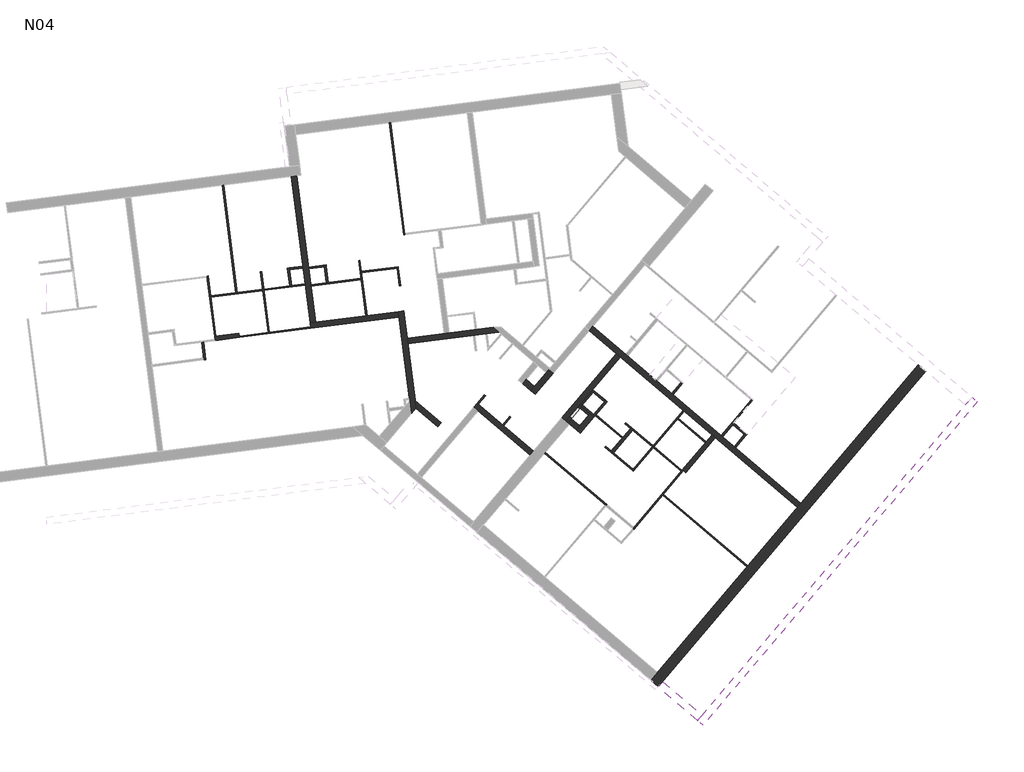
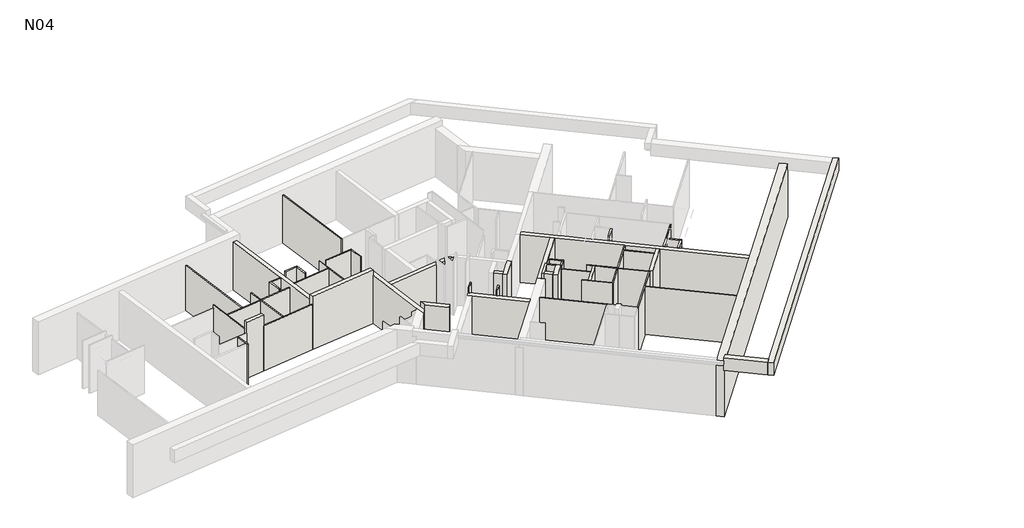
# One storey, part 2 of 3: 56 walls.
"""IFC4 building model written with IfcOpenShell, lengths in millimetres."""

import ifcopenshell
import ifcopenshell.guid

model = None  # the IFC model being written
_history = None  # IfcOwnerHistory: only IFC2X3 demands one
_inside = {}  # id of a spatial element -> (the spatial element, [elements in it])
_under = {}  # id of a project, library or spatial element -> (it, [spatial elements below it])
_declared = {}  # id of a project -> (the project, [libraries it declares])
_typed = {}  # id of a type object -> (the type object, [elements of that type])
_made_of = {}  # id of a material, layer set ... -> (it, [elements and type objects made of it])


def new_model(schema):
    """Start an empty IFC model of exactly this schema.

    Asked for "IFC4X3", IfcOpenShell would pick the latest addendum, in which some entities
    have other attributes; the version numbers below select the first issue.
    IFC2X3 requires an IfcOwnerHistory on every rooted entity: one is made here for all.
    """
    global model, _history
    if schema == "IFC4X3":
        model = ifcopenshell.file(schema_version=(4, 3, 0, 0))
    else:
        model = ifcopenshell.file(schema=schema)
    _inside.clear()
    _under.clear()
    _declared.clear()
    _typed.clear()
    _made_of.clear()
    _history = None
    if model.schema == "IFC2X3":
        org = make("IfcOrganization", Name="unknown")
        user = make(
            "IfcPersonAndOrganization",
            ThePerson=make("IfcPerson", FamilyName="unknown"),
            TheOrganization=org,
        )
        app = make(
            "IfcApplication",
            ApplicationDeveloper=org,
            Version="unknown",
            ApplicationFullName="unknown",
            ApplicationIdentifier="unknown",
        )
        _history = make(
            "IfcOwnerHistory",
            OwningUser=user,
            OwningApplication=app,
            ChangeAction="ADDED",
            CreationDate=0,
        )
    return model


def make(cls, **values):
    """One entity of the class cls with the attributes given. An attribute that is None is left unset."""
    return model.create_entity(
        cls, **{name: value for name, value in values.items() if value is not None}
    )


def rooted(cls, **values):
    """An entity with a GlobalId (a new one), such as an element, a storey or a relation."""
    return make(cls, GlobalId=ifcopenshell.guid.new(), OwnerHistory=_history, **values)


def si_unit(unit_type, name, prefix=None):
    """IfcSIUnit, for example si_unit("LENGTHUNIT", "METRE", prefix="MILLI")."""
    return make("IfcSIUnit", UnitType=unit_type, Prefix=prefix, Name=name)


def assignment(units):
    """IfcUnitAssignment: the units of a project."""
    return None if units is None else make("IfcUnitAssignment", Units=units)


def point(xyz):
    """IfcCartesianPoint."""
    return None if xyz is None else make("IfcCartesianPoint", Coordinates=xyz)


def direction(xyz):
    """IfcDirection."""
    return None if xyz is None else make("IfcDirection", DirectionRatios=xyz)


def frame(location, z_axis=None, x_axis=None):
    """IfcAxis2Placement3D, a coordinate frame: its origin and axes. An axis left out is left unset."""
    return make(
        "IfcAxis2Placement3D",
        Location=point(location),
        Axis=direction(z_axis),
        RefDirection=direction(x_axis),
    )


def origin():
    """The frame at (0, 0, 0) with its axes left unset."""
    return frame((0.0, 0.0, 0.0))


def place(relative_to, where):
    """IfcLocalPlacement: puts the frame where relative to a parent placement (None: the world)."""
    return make(
        "IfcLocalPlacement", PlacementRelTo=relative_to, RelativePlacement=where
    )


def context(
    kind, dimensions, precision=None, world=None, true_north=None, identifier=None
):
    """IfcGeometricRepresentationContext, for example the 3D "Model" context."""
    return make(
        "IfcGeometricRepresentationContext",
        ContextIdentifier=identifier,
        ContextType=kind,
        CoordinateSpaceDimension=dimensions,
        Precision=precision,
        WorldCoordinateSystem=world,
        TrueNorth=true_north,
    )


def project(units=None, contexts=None):
    """IfcProject with its units and contexts."""
    return rooted(
        "IfcProject",
        Name="project",
        RepresentationContexts=contexts,
        UnitsInContext=assignment(units),
    )


def spatial(cls, under=None, at=None, **own):
    """A site, building, storey or space (cls), placed at a placement, below another one or the project."""
    s = rooted(cls, ObjectPlacement=at, **own)
    if under is not None:
        _under.setdefault(under.id(), (under, []))[1].append(s)
    return s


def polyline(points):
    """IfcPolyline through the points."""
    return make("IfcPolyline", Points=[point(p) for p in points])


def outline(outer, holes=None, kind="AREA"):
    """IfcArbitraryClosedProfileDef: a profile drawn as a closed curve; with holes, ...WithVoids."""
    if holes is None:
        return make("IfcArbitraryClosedProfileDef", ProfileType=kind, OuterCurve=outer)
    return make(
        "IfcArbitraryProfileDefWithVoids",
        ProfileType=kind,
        OuterCurve=outer,
        InnerCurves=holes,
    )


def extrude(swept, where, along, depth):
    """IfcExtrudedAreaSolid: the profile swept, set in the frame where, extruded along a direction by depth."""
    return make(
        "IfcExtrudedAreaSolid",
        SweptArea=swept,
        Position=where,
        ExtrudedDirection=direction(along),
        Depth=depth,
    )


def faces_of(points, faces, orient=None, outer=None):
    """IfcFace entities. A face is a list of loops; a loop is a list of indices into points, from 0.

    orient and outer hold one flag for each loop. By default every Orientation is true, the
    first loop of a face is its IfcFaceOuterBound and the others are IfcFaceBound.
    """
    made = []
    for i, loops in enumerate(faces):
        bounds = []
        for j, loop in enumerate(loops):
            is_outer = j == 0 if outer is None else outer[i][j]
            bounds.append(
                make(
                    "IfcFaceOuterBound" if is_outer else "IfcFaceBound",
                    Bound=make("IfcPolyLoop", Polygon=[points[k] for k in loop]),
                    Orientation=True if orient is None else orient[i][j],
                )
            )
        made.append(make("IfcFace", Bounds=bounds))
    return made


def faceted_brep(points, faces, orient=None, outer=None, voids=None):
    """IfcFacetedBrep: a solid bounded by flat faces; with voids (closed shells), ...WithVoids."""
    shared = [point(p) for p in points]
    hull = make("IfcClosedShell", CfsFaces=faces_of(shared, faces, orient, outer))
    if voids is None:
        return make("IfcFacetedBrep", Outer=hull)
    return make(
        "IfcFacetedBrepWithVoids",
        Outer=hull,
        Voids=[
            make(cls, CfsFaces=faces_of(shared, fs, o, b)) for cls, fs, o, b in voids
        ],
    )


def shape(context_of_items, identifier, shape_type, items):
    """IfcShapeRepresentation: the items that make up one representation, for example the "Body"."""
    return make(
        "IfcShapeRepresentation",
        ContextOfItems=context_of_items,
        RepresentationIdentifier=identifier,
        RepresentationType=shape_type,
        Items=items,
    )


def made_of(thing, what):
    """Note that an element or type object is made of a material, layer set ...; save() writes the relation."""
    if what is not None:
        _made_of.setdefault(what.id(), (what, []))[1].append(thing)
    return thing


def element(
    cls,
    number,
    at=None,
    inside=None,
    cuts=None,
    type_object=None,
    material=None,
    context=None,
    identifier="Body",
    shape_type=None,
    held_by="IfcProductDefinitionShape",
    body=None,
    shapes=None,
    **own,
):
    """One element of the class cls, such as IfcWall. Its Tag is "e" and its number.

    at: its placement. inside: the storey or other place that contains it. cuts: it is an
    opening in that element (IfcRelVoidsElement). A single representation is given by context,
    identifier, shape_type and body (its items); several are given by shapes. held_by: the class
    of the entity that holds the representations. save() writes the other relations.
    """
    e = rooted(cls, Tag="e%d" % number, ObjectPlacement=at, **own)
    if body is not None:
        shapes = [shape(context, identifier, shape_type, body)]
    if shapes is not None:
        e.Representation = make(held_by, Representations=shapes)
    if inside is not None:
        _inside.setdefault(inside.id(), (inside, []))[1].append(e)
    if cuts is not None:
        rooted(
            "IfcRelVoidsElement", RelatingBuildingElement=cuts, RelatedOpeningElement=e
        )
    if type_object is not None:
        _typed.setdefault(type_object.id(), (type_object, []))[1].append(e)
    return made_of(e, material)


def aggregate(whole, parts):
    """IfcRelAggregates: a whole, such as a stair, and the parts it consists of."""
    return rooted("IfcRelAggregates", RelatingObject=whole, RelatedObjects=parts)


def save(model, path):
    """Write the relations noted so far, then the file.

    IfcRelAggregates (storeys below a building ...), IfcRelContainedInSpatialStructure (elements
    in a storey), IfcRelDefinesByType, IfcRelAssociatesMaterial and IfcRelDeclares: one each for
    every whole, place, type object, material and project.
    """
    for whole, parts in _under.values():
        aggregate(whole, parts)
    for where, things in _inside.values():
        rooted(
            "IfcRelContainedInSpatialStructure",
            RelatedElements=things,
            RelatingStructure=where,
        )
    for kind, things in _typed.values():
        rooted("IfcRelDefinesByType", RelatedObjects=things, RelatingType=kind)
    for what, things in _made_of.values():
        rooted("IfcRelAssociatesMaterial", RelatedObjects=things, RelatingMaterial=what)
    for by, libraries in _declared.values():
        rooted("IfcRelDeclares", RelatingContext=by, RelatedDefinitions=libraries)
    model.write(path)


model = new_model("IFC4")

# Units and contexts
model_context = context("Model", 3, world=origin())
ifc_project = project(units=[si_unit("LENGTHUNIT", "METRE", prefix="MILLI")], contexts=[model_context])

# Site, building, storey
site = spatial("IfcSite", under=ifc_project)
building = spatial("IfcBuilding", under=site)
storey = spatial("IfcBuildingStorey", under=building, Name="N04", Elevation=11380.0)

# Walls
placement = place(None, origin())
element("IfcWall", 1, at=placement, inside=storey, context=model_context, shape_type="Brep", body=[
    faceted_brep([(26473.9537405, 16458.0006931, 11380.0), (22178.6528652, 11396.9288026, 11380.0), (22049.2388417, 11244.4427031, 11380.0), (20230.9718119, 9102.0130058, 11380.0), (20198.618306, 9063.8914809, 11380.0), (16923.1988078, 5204.5265532, 11380.0), (16683.7828644, 4922.4272692, 11380.0), (16683.7828644, 4922.4272692, 14150.0), (16923.1988078, 5204.5265532, 14150.0), (26473.9537405, 16458.0006931, 14150.0), (26756.0530245, 16218.5847496, 11380.0), (26756.0530245, 16218.5847496, 13820.0), (26756.0530245, 16218.5847496, 14150.0), (17205.2980918, 4965.1106098, 14150.0), (16965.8821484, 4683.0113258, 14150.0), (16965.8821484, 4683.0113258, 11380.0)], [[[0, 1, 2, 3, 4, 5, 6, 7, 8, 9]], [[10, 11, 12, 13, 14, 15]], [[6, 5, 4, 3, 2, 1, 0, 10, 15]], [[9, 8, 7, 14, 13, 12]], [[0, 9, 12, 11, 10]], [[7, 6, 15, 14]]]),
])
element("IfcWall", 2, at=placement, inside=storey, context=model_context, shape_type="Brep", body=[
    faceted_brep([(7448.5900764, 18403.1253969, 11380.0), (7473.9455369, 18204.7391559, 11380.0), (7865.2890942, 15142.7881766, 11380.0), (7925.3724793, 14672.6836444, 11380.0), (7925.3724793, 14672.6836444, 13880.0), (7865.2890942, 15142.7881766, 13880.0), (7448.5900764, 18403.1253969, 13880.0), (7646.9763174, 18428.4808575, 11380.0), (7646.9763174, 18428.4808575, 13880.0), (7775.7214118, 17421.1532528, 13880.0), (7801.0768724, 17222.7670118, 13880.0), (8100.609629, 14879.1622679, 13880.0), (8100.609629, 14879.1622679, 11380.0), (8066.276266, 15147.7934292, 11380.0), (7801.0768724, 17222.7670118, 11380.0), (7775.7214118, 17421.1532528, 11380.0), (8089.348342, 14865.8933062, 11380.0)], [[[0, 1, 2, 3, 4, 5, 6]], [[7, 8, 9, 10, 11, 12, 13, 14, 15]], [[3, 2, 1, 0, 7, 15, 14, 13, 12, 16]], [[6, 5, 4, 11, 10, 9, 8]], [[4, 3, 16, 12, 11]], [[0, 6, 8, 7]]]),
])
element("IfcWall", 3, at=placement, inside=storey, context=model_context, shape_type="Brep", body=[
    faceted_brep([(10925.0598005, 17823.6656693, 11380.0), (9323.1340917, 17618.9258451, 11380.0), (9124.7478507, 17593.5703845, 11380.0), (7775.7214118, 17421.1532528, 11380.0), (7775.7214118, 17421.1532528, 13880.0), (9124.7478507, 17593.5703845, 13880.0), (9323.1340917, 17618.9258451, 13880.0), (10925.0598005, 17823.6656693, 13880.0), (7801.0768724, 17222.7670118, 11380.0), (10201.5503886, 17529.5680845, 11380.0), (10251.1469488, 17535.9069496, 11380.0), (10647.9194308, 17586.6178707, 11380.0), (10697.5159911, 17592.9567358, 11380.0), (11131.5384241, 17648.4285197, 11380.0), (11131.5384241, 17648.4285197, 13880.0), (7801.0768724, 17222.7670118, 13880.0)], [[[0, 1, 2, 3, 4, 5, 6, 7]], [[8, 9, 10, 11, 12, 13, 14, 15]], [[3, 2, 1, 0, 13, 12, 11, 10, 9, 8]], [[7, 6, 5, 4, 15, 14]], [[4, 3, 8, 15]], [[0, 7, 14, 13]]]),
])
element("IfcWall", 4, at=placement, inside=storey, context=model_context, shape_type="SweptSolid", body=[
    extrude(outline(polyline([(15578.6427768, 16735.9981567), (13586.371073, 14388.5420388), (13433.8849736, 14517.9560622), (15426.1566773, 16865.4121802), (15578.6427768, 16735.9981567)])), frame((0.0, 0.0, 11380.0), z_axis=(0.0, 0.0, 1.0), x_axis=(1.0, 0.0, 0.0)), (0.0, 0.0, 1.0), 2500.0),
])
element("IfcWall", 5, at=placement, inside=storey, context=model_context, shape_type="Brep", body=[
    faceted_brep([(12403.0945249, 13303.3951464, 11380.0), (11305.1946088, 14235.1761155, 11380.0), (11267.073084, 14267.5296214, 11380.0), (10382.6537071, 15018.1309575, 11380.0), (10344.5321823, 15050.4844634, 11380.0), (10344.5321823, 15050.4844634, 13880.0), (12403.0945249, 13303.3951464, 13880.0), (12273.6805014, 13150.909047, 11380.0), (12273.6805014, 13150.909047, 13880.0), (10367.6042582, 14768.5843405, 13880.0), (10215.1181588, 14897.9983639, 13880.0), (10215.1181588, 14897.9983639, 11380.0), (10367.6042582, 14768.5843405, 11380.0)], [[[0, 1, 2, 3, 4, 5, 6]], [[7, 8, 9, 10, 11, 12]], [[4, 3, 2, 1, 0, 7, 12, 11]], [[6, 5, 10, 9, 8]], [[5, 4, 11, 10]], [[0, 6, 8, 7]]]),
])
element("IfcWall", 6, at=placement, inside=storey, context=model_context, shape_type="Brep", body=[
    faceted_brep([(8089.348342, 14865.8933062, 11380.0), (8895.2693037, 14181.9130967, 11380.0), (8895.2693037, 14181.9130967, 14150.0), (8089.348342, 14865.8933062, 14150.0), (8066.276266, 15147.7934292, 11380.0), (8066.276266, 15147.7934292, 14150.0), (9024.6833271, 14334.3991962, 14150.0), (9024.6833271, 14334.3991962, 11380.0), (8100.609629, 14879.1622679, 11380.0), (8100.609629, 14879.1622679, 14150.0), (8100.609629, 14879.1622679, 13880.0)], [[[0, 1, 2, 3]], [[4, 5, 6, 7]], [[1, 0, 8, 4, 7]], [[2, 1, 7, 6]], [[3, 2, 6, 5, 9]], [[0, 3, 9, 10, 8]], [[9, 5, 4, 8, 10]]]),
])
element("IfcWall", 7, at=placement, inside=storey, context=model_context, shape_type="Brep", body=[
    faceted_brep([(28444.0869127, 15271.2508106, 13820.0), (28204.6709693, 14989.1515266, 13820.0), (18569.7969214, 3636.5614221, 13820.0), (18401.5586909, 3438.3294928, 13820.0), (18401.5586909, 3438.3294928, 14460.0), (18569.7969214, 3636.5614221, 14460.0), (28204.6709693, 14989.1515266, 14460.0), (28444.0869127, 15271.2508106, 14460.0), (28642.318842, 15103.0125801, 13820.0), (28642.318842, 15103.0125801, 14460.0), (18599.7906202, 3270.0912623, 14460.0), (18599.7906202, 3270.0912623, 13820.0)], [[[0, 1, 2, 3, 4, 5, 6, 7]], [[8, 9, 10, 11]], [[3, 2, 1, 0, 8, 11]], [[7, 6, 5, 4, 10, 9]], [[4, 3, 11, 10]], [[0, 7, 9, 8]]]),
])
element("IfcWall", 8, at=placement, inside=storey, context=model_context, shape_type="SweptSolid", body=[
    extrude(outline(polyline([(17121.1789766, 4865.9946451), (18569.7969214, 3636.5614221), (18401.5586909, 3438.3294928), (16952.940746, 4667.7627158), (17121.1789766, 4865.9946451)])), frame((0.0, 0.0, 13820.0), z_axis=(0.0, 0.0, 1.0), x_axis=(1.0, 0.0, 0.0)), (0.0, 0.0, 1.0), 640.0),
])
element("IfcWall", 9, at=placement, inside=storey, context=model_context, shape_type="SweptSolid", body=[
    extrude(outline(polyline([(14152.0802044, 14931.4722172), (14457.0524033, 14672.6441703), (14405.2867939, 14611.6497305), (14100.314595, 14870.4777775), (14152.0802044, 14931.4722172)])), frame((0.0, 0.0, 11380.0), z_axis=(0.0, 0.0, 1.0), x_axis=(1.0, 0.0, 0.0)), (0.0, 0.0, 1.0), 2770.0),
])
element("IfcWall", 10, at=placement, inside=storey, context=model_context, shape_type="Brep", body=[
    faceted_brep([(14091.0857646, 14983.2378266, 11380.0), (13586.371073, 14388.5420388, 11380.0), (13586.371073, 14388.5420388, 14150.0), (14091.0857646, 14983.2378266, 14150.0), (14019.9080517, 14899.3704719, 12880.0), (13728.7264989, 14556.2767482, 12880.0), (13728.7264989, 14556.2767482, 11880.0), (14019.9080517, 14899.3704719, 11880.0), (13647.3655128, 14336.7764294, 11380.0), (13776.7795363, 14489.2625288, 11380.0), (14100.314595, 14870.4777775, 11380.0), (14152.0802044, 14931.4722172, 11380.0), (14152.0802044, 14931.4722172, 14150.0), (14100.314595, 14870.4777775, 14150.0), (13776.7795363, 14489.2625288, 14150.0), (13647.3655128, 14336.7764294, 14150.0), (13789.7209386, 14504.5111388, 12880.0), (14080.9024915, 14847.6048625, 12880.0), (14080.9024915, 14847.6048625, 11880.0), (13789.7209386, 14504.5111388, 11880.0)], [[[0, 1, 2, 3], [4, 5, 6, 7]], [[8, 9, 10, 11, 12, 13, 14, 15], [16, 17, 18, 19]], [[1, 0, 11, 10, 9, 8]], [[3, 2, 15, 14, 13, 12]], [[4, 17, 16, 5]], [[6, 19, 18, 7]], [[17, 4, 7, 18]], [[5, 16, 19, 6]], [[0, 3, 12, 11]], [[2, 1, 8, 15]]]),
])
element("IfcWall", 11, at=placement, inside=storey, context=model_context, shape_type="SweptSolid", body=[
    extrude(outline(polyline([(13952.3377117, 14077.9483824), (13647.3655128, 14336.7764294), (13776.7795363, 14489.2625288), (14081.7517352, 14230.4344819), (13952.3377117, 14077.9483824)])), frame((0.0, 0.0, 11380.0), z_axis=(0.0, 0.0, 1.0), x_axis=(1.0, 0.0, 0.0)), (0.0, 0.0, 1.0), 2770.0),
])
element("IfcWall", 12, at=placement, inside=storey, context=model_context, shape_type="Brep", body=[
    faceted_brep([(14104.8238112, 13948.5343589, 11380.0), (14609.5385027, 14543.2301468, 11380.0), (14609.5385027, 14543.2301468, 14150.0), (14104.8238112, 13948.5343589, 14150.0), (13952.3377117, 14077.9483824, 11380.0), (13952.3377117, 14077.9483824, 14150.0), (14081.7517352, 14230.4344819, 14150.0), (14405.2867939, 14611.6497305, 14150.0), (14457.0524033, 14672.6441703, 14150.0), (14457.0524033, 14672.6441703, 11380.0), (14405.2867939, 14611.6497305, 11380.0), (14081.7517352, 14230.4344819, 11380.0)], [[[0, 1, 2, 3]], [[4, 5, 6, 7, 8, 9, 10, 11]], [[1, 0, 4, 11, 10, 9]], [[3, 2, 8, 7, 6, 5]], [[2, 1, 9, 8]], [[0, 3, 5, 4]]]),
])
element("IfcWall", 13, at=placement, inside=storey, context=model_context, shape_type="Brep", body=[
    faceted_brep([(3538.3651094, 23347.2910817, 11380.0), (3957.9979815, 20063.998793, 11380.0), (3966.8723927, 19994.5636087, 11380.0), (4222.9625443, 17990.8625745, 11380.0), (4222.9625443, 17990.8625745, 13880.0), (3966.8723927, 19994.5636087, 13880.0), (3957.9979815, 20063.998793, 13880.0), (3538.3651094, 23347.2910817, 13880.0), (3736.7513504, 23372.6465422, 11380.0), (3736.7513504, 23372.6465422, 13880.0), (4245.7195776, 19390.3764045, 13880.0), (4252.0584428, 19340.7798442, 13880.0), (4421.3487853, 18016.2180351, 13880.0), (4421.3487853, 18016.2180351, 11380.0), (4252.0584428, 19340.7798442, 11380.0), (4245.7195776, 19390.3764045, 11380.0), (4172.188742, 19965.6965034, 11380.0), (4163.3143308, 20035.1316877, 11380.0)], [[[0, 1, 2, 3, 4, 5, 6, 7]], [[8, 9, 10, 11, 12, 13, 14, 15, 16, 17]], [[3, 2, 1, 0, 8, 17, 16, 15, 14, 13]], [[7, 6, 5, 4, 12, 11, 10, 9]], [[4, 3, 13, 12]], [[0, 7, 9, 8]]]),
])
element("IfcWall", 14, at=placement, inside=storey, context=model_context, shape_type="Brep", body=[
    faceted_brep([(4248.3180049, 17792.4763335, 11380.0), (7473.9455369, 18204.7391559, 11380.0), (7473.9455369, 18204.7391559, 14150.0), (4248.3180049, 17792.4763335, 14150.0), (4222.9625443, 17990.8625745, 11380.0), (4222.9625443, 17990.8625745, 13880.0), (4222.9625443, 17990.8625745, 14150.0), (7448.5900764, 18403.1253969, 14150.0), (7448.5900764, 18403.1253969, 13880.0), (7448.5900764, 18403.1253969, 11380.0), (4421.3487853, 18016.2180351, 11380.0)], [[[0, 1, 2, 3]], [[4, 5, 6, 7, 8, 9, 10]], [[1, 0, 4, 10, 9]], [[3, 2, 7, 6]], [[0, 3, 6, 5, 4]], [[2, 1, 9, 8, 7]]]),
])
element("IfcWall", 15, at=placement, inside=storey, context=model_context, shape_type="Brep", body=[
    faceted_brep([(22178.6528652, 11396.9288026, 11380.0), (19793.6940267, 13421.0288368, 11380.0), (19740.3238919, 13466.323745, 11380.0), (19313.3628134, 13828.6830107, 11380.0), (19259.9926786, 13873.9779189, 11380.0), (17504.9539169, 15363.4686222, 11380.0), (17451.5837821, 15408.7635304, 11380.0), (16932.0142029, 15849.7190663, 11380.0), (16878.6440681, 15895.0139746, 11380.0), (15837.6699848, 16778.4823362, 11380.0), (15761.4269351, 16843.1893479, 11380.0), (14562.3562143, 17860.8333624, 11380.0), (14562.3562143, 17860.8333624, 13880.0), (15761.4269351, 16843.1893479, 13880.0), (15837.6699848, 16778.4823362, 13880.0), (16878.6440681, 15895.0139746, 13880.0), (16932.0142029, 15849.7190663, 13880.0), (19259.9926786, 13873.9779189, 13880.0), (19313.3628134, 13828.6830107, 13880.0), (19740.3238919, 13466.323745, 13880.0), (19793.6940267, 13421.0288368, 13880.0), (22178.6528652, 11396.9288026, 13880.0), (22049.2388417, 11244.4427031, 11380.0), (22049.2388417, 11244.4427031, 13880.0), (19052.8869874, 13787.4282645, 13880.0), (18930.8981079, 13890.9594832, 13880.0), (17912.7969394, 14755.0157414, 13880.0), (17874.6754146, 14787.3692472, 13880.0), (15578.6427768, 16735.9981567, 13880.0), (15563.3941668, 16748.9395591, 13880.0), (15426.1566773, 16865.4121802, 13880.0), (14432.9421908, 17708.347263, 13880.0), (14432.9421908, 17708.347263, 11380.0), (15426.1566773, 16865.4121802, 11380.0), (15563.3941668, 16748.9395591, 11380.0), (15578.6427768, 16735.9981567, 11380.0), (17874.6754146, 14787.3692472, 11380.0), (17912.7969394, 14755.0157414, 11380.0), (18930.8981079, 13890.9594832, 11380.0), (19052.8869874, 13787.4282645, 11380.0)], [[[0, 1, 2, 3, 4, 5, 6, 7, 8, 9, 10, 11, 12, 13, 14, 15, 16, 17, 18, 19, 20, 21]], [[22, 23, 24, 25, 26, 27, 28, 29, 30, 31, 32, 33, 34, 35, 36, 37, 38, 39]], [[11, 10, 9, 8, 7, 6, 5, 4, 3, 2, 1, 0, 22, 39, 38, 37, 36, 35, 34, 33, 32]], [[21, 20, 19, 18, 17, 16, 15, 14, 13, 12, 31, 30, 29, 28, 27, 26, 25, 24, 23]], [[0, 21, 23, 22]], [[12, 11, 32, 31]]]),
])
element("IfcWall", 16, at=placement, inside=storey, context=model_context, shape_type="Brep", body=[
    faceted_brep([(12962.4236983, 16284.7486131, 11380.0), (12435.0615526, 15663.3677578, 11380.0), (12305.6475292, 15510.8816583, 11380.0), (12305.6475292, 15510.8816583, 13880.0), (12435.0615526, 15663.3677578, 13880.0), (12962.4236983, 16284.7486131, 13880.0), (13114.9097978, 16155.3345896, 11380.0), (13114.9097978, 16155.3345896, 13880.0), (12458.1336286, 15381.4676348, 13880.0), (12458.1336286, 15381.4676348, 11380.0)], [[[0, 1, 2, 3, 4, 5]], [[6, 7, 8, 9]], [[2, 1, 0, 6, 9]], [[5, 4, 3, 8, 7]], [[0, 5, 7, 6]], [[3, 2, 9, 8]]]),
])
element("IfcWall", 17, at=placement, inside=storey, context=model_context, shape_type="SweptSolid", body=[
    extrude(outline(polyline([(12305.6475292, 15510.8816583), (12000.6753302, 15769.7097053), (12130.0893537, 15922.1958047), (12435.0615526, 15663.3677578), (12305.6475292, 15510.8816583)])), frame((0.0, 0.0, 11380.0), z_axis=(0.0, 0.0, 1.0), x_axis=(1.0, 0.0, 0.0)), (0.0, 0.0, 1.0), 2500.0),
])
element("IfcWall", 18, ObjectType="CLO 10", at=placement, inside=storey, context=model_context, shape_type="Brep", body=[
    faceted_brep([(15325.6654739, 13238.8847064, 11380.0), (16024.5012007, 14062.3096435, 11380.0), (16024.5012007, 14062.3096435, 13880.0), (15325.6654739, 13238.8847064, 13880.0), (15249.4224242, 13303.5917181, 11380.0), (15249.4224242, 13303.5917181, 13880.0), (15638.3687525, 13761.8798302, 13880.0), (15670.7222583, 13800.0013551, 13880.0), (15948.258151, 14127.0166552, 13880.0), (15948.258151, 14127.0166552, 11380.0), (15670.7222583, 13800.0013551, 11380.0), (15638.3687525, 13761.8798302, 11380.0)], [[[0, 1, 2, 3]], [[4, 5, 6, 7, 8, 9, 10, 11]], [[1, 0, 4, 11, 10, 9]], [[3, 2, 8, 7, 6, 5]], [[2, 1, 9, 8]], [[0, 3, 5, 4]]]),
])
element("IfcWall", 19, ObjectType="CLO 5", at=placement, inside=storey, context=model_context, shape_type="SweptSolid", body=[
    extrude(outline(polyline([(1510.9786555, 19095.9613877), (1008.9405366, 23024.0089596), (1058.5370969, 23030.3478248), (1560.5752158, 19102.3002529), (1510.9786555, 19095.9613877)])), frame((0.0, 0.0, 11380.0), z_axis=(0.0, 0.0, 1.0), x_axis=(1.0, 0.0, 0.0)), (0.0, 0.0, 1.0), 2350.0),
])
element("IfcWall", 20, ObjectType="CLO 5", at=placement, inside=storey, context=model_context, shape_type="Brep", body=[
    faceted_brep([(2400.6659897, 19864.9584277, 11380.0), (2483.0712364, 19220.2031444, 11380.0), (2489.4101016, 19170.6065842, 11380.0), (2684.6471478, 17643.0325284, 11380.0), (2684.6471478, 17643.0325284, 13730.0), (2489.4101016, 19170.6065842, 13730.0), (2483.0712364, 19220.2031444, 13730.0), (2400.6659897, 19864.9584277, 13730.0), (2450.2625499, 19871.2972928, 11380.0), (2450.2625499, 19871.2972928, 13730.0), (2532.6677967, 19226.5420096, 13730.0), (2539.0066618, 19176.9454493, 13730.0), (2734.2437081, 17649.3713936, 13730.0), (2734.2437081, 17649.3713936, 11380.0), (2539.0066618, 19176.9454493, 11380.0), (2532.6677967, 19226.5420096, 11380.0)], [[[0, 1, 2, 3, 4, 5, 6, 7]], [[8, 9, 10, 11, 12, 13, 14, 15]], [[3, 2, 1, 0, 8, 15, 14, 13]], [[7, 6, 5, 4, 12, 11, 10, 9]], [[0, 7, 9, 8]], [[4, 3, 13, 12]]]),
])
element("IfcWall", 21, ObjectType="CLO 5", at=placement, inside=storey, context=model_context, shape_type="Brep", body=[
    faceted_brep([(4241.9791397, 17842.0728938, 11380.0), (2734.2437081, 17649.3713936, 11380.0), (2684.6471478, 17643.0325284, 11380.0), (1633.2000705, 17508.6485875, 11380.0), (1633.2000705, 17508.6485875, 13730.0), (2684.6471478, 17643.0325284, 13730.0), (2734.2437081, 17649.3713936, 13730.0), (4241.9791397, 17842.0728938, 13730.0), (4248.3180049, 17792.4763335, 11380.0), (4248.3180049, 17792.4763335, 13730.0), (1639.5389356, 17459.0520273, 13730.0), (1639.5389356, 17459.0520273, 11380.0)], [[[0, 1, 2, 3, 4, 5, 6, 7]], [[8, 9, 10, 11]], [[3, 2, 1, 0, 8, 11]], [[4, 3, 11, 10]], [[7, 6, 5, 4, 10, 9]], [[0, 7, 9, 8]]]),
])
element("IfcWall", 22, ObjectType="CLO 5", at=placement, inside=storey, context=model_context, shape_type="Brep", body=[
    faceted_brep([(4046.7420935, 19369.6469495, 11380.0), (4046.7420935, 19369.6469495, 13730.0), (2539.0066618, 19176.9454493, 13730.0), (2539.0066618, 19176.9454493, 11380.0), (4040.4032283, 19419.2435098, 13730.0), (4040.4032283, 19419.2435098, 11380.0), (3544.4376258, 19355.8548584, 11380.0), (3475.0024415, 19346.9804472, 11380.0), (2532.6677967, 19226.5420096, 11380.0), (2532.6677967, 19226.5420096, 13730.0)], [[[0, 1, 2, 3]], [[4, 5, 6, 7, 8, 9]], [[5, 0, 3, 8, 7, 6]], [[1, 0, 5, 4]], [[1, 4, 9, 2]], [[3, 2, 9, 8]]]),
    faceted_brep([(594.8215, 18928.4619359, 13730.0), (594.8215, 18928.4619359, 13480.0), (594.8215, 18928.4619359, 11380.0), (2489.4101016, 19170.6065842, 11380.0), (2489.4101016, 19170.6065842, 13730.0), (588.4826348, 18978.0584962, 11380.0), (588.4826348, 18978.0584962, 13730.0), (1510.9786555, 19095.9613877, 13730.0), (1560.5752158, 19102.3002529, 13730.0), (2483.0712364, 19220.2031444, 13730.0), (2483.0712364, 19220.2031444, 11380.0), (1560.5752158, 19102.3002529, 11380.0), (1510.9786555, 19095.9613877, 11380.0)], [[[0, 1, 2, 3, 4]], [[5, 6, 7, 8, 9, 10, 11, 12]], [[2, 5, 12, 11, 10, 3]], [[6, 0, 4, 9, 8, 7]], [[2, 1, 0, 6, 5]], [[4, 3, 10, 9]]]),
])
element("IfcWall", 23, ObjectType="CLO 5", at=placement, inside=storey, context=model_context, shape_type="SweptSolid", body=[
    extrude(outline(polyline([(11564.0226558, 14540.1483144), (11305.1946088, 14235.1761155), (11267.073084, 14267.5296214), (11525.9011309, 14572.5018203), (11564.0226558, 14540.1483144)])), frame((0.0, 0.0, 11380.0), z_axis=(0.0, 0.0, 1.0), x_axis=(1.0, 0.0, 0.0)), (0.0, 0.0, 1.0), 2770.0),
])
element("IfcWall", 24, ObjectType="CLO 5", at=placement, inside=storey, context=model_context, shape_type="Brep", body=[
    faceted_brep([(10382.6537071, 15018.1309575, 11380.0), (10641.4817541, 15323.1031564, 11380.0), (10641.4817541, 15323.1031564, 14150.0), (10382.6537071, 15018.1309575, 14150.0), (10344.5321823, 15050.4844634, 11380.0), (10344.5321823, 15050.4844634, 13880.0), (10344.5321823, 15050.4844634, 14150.0), (10603.3602292, 15355.4566623, 14150.0), (10603.3602292, 15355.4566623, 11380.0)], [[[0, 1, 2, 3]], [[4, 5, 6, 7, 8]], [[1, 0, 4, 8]], [[2, 1, 8, 7]], [[3, 2, 7, 6]], [[0, 3, 6, 5, 4]]]),
])
element("IfcWall", 25, ObjectType="CLO 5", at=placement, inside=storey, context=model_context, shape_type="Brep", body=[
    faceted_brep([(445.0708706, 19705.7487227, 11380.0), (451.4097357, 19656.1521625, 11380.0), (726.5164827, 17503.6614476, 11380.0), (726.5164827, 17503.6614476, 13880.0), (445.0708706, 19705.7487227, 13880.0), (445.0708706, 19705.7487227, 13730.0), (776.1130429, 17510.0003127, 13880.0), (776.1130429, 17510.0003127, 11380.0), (594.8215, 18928.4619359, 11380.0), (588.4826348, 18978.0584962, 11380.0), (494.6674308, 19712.0875879, 11380.0), (494.6674308, 19712.0875879, 13880.0)], [[[0, 1, 2, 3, 4, 5]], [[6, 7, 8, 9, 10, 11]], [[2, 1, 0, 10, 9, 8, 7]], [[3, 2, 7, 6]], [[4, 3, 6, 11]], [[0, 5, 4, 11, 10]]]),
])
element("IfcWall", 26, ObjectType="CLO 5", at=placement, inside=storey, context=model_context, shape_type="Brep", body=[
    faceted_brep([(12794.8374833, 13224.078825, 11380.0), (15021.1345353, 11334.6340822, 11380.0), (15059.2560602, 11302.2805763, 11380.0), (15059.2560602, 11302.2805763, 13880.0), (15021.1345353, 11334.6340822, 13880.0), (12794.8374833, 13224.078825, 13880.0), (12827.1909892, 13262.2003498, 11380.0), (12827.1909892, 13262.2003498, 13880.0), (15091.6095661, 11340.4021012, 13880.0), (15091.6095661, 11340.4021012, 11380.0)], [[[0, 1, 2, 3, 4, 5]], [[6, 7, 8, 9]], [[2, 1, 0, 6, 9]], [[5, 4, 3, 8, 7]], [[3, 2, 9, 8]], [[0, 5, 7, 6]]]),
])
element("IfcWall", 27, ObjectType="CLO 5", at=placement, inside=storey, context=model_context, shape_type="Brep", body=[
    faceted_brep([(16780.424234, 13420.7623711, 11380.0), (16812.7777399, 13458.883896, 11380.0), (17666.9102239, 14465.2920688, 11380.0), (17699.2637298, 14503.4135937, 11380.0), (17912.7969394, 14755.0157414, 11380.0), (17912.7969394, 14755.0157414, 13880.0), (17699.2637298, 14503.4135937, 13880.0), (17666.9102239, 14465.2920688, 13880.0), (16812.7777399, 13458.883896, 13880.0), (16780.424234, 13420.7623711, 13880.0), (16742.3027091, 13453.115877, 11380.0), (16742.3027091, 13453.115877, 13880.0), (16774.656215, 13491.2374018, 13880.0), (17874.6754146, 14787.3692472, 13880.0), (17874.6754146, 14787.3692472, 11380.0), (16774.656215, 13491.2374018, 11380.0)], [[[0, 1, 2, 3, 4, 5, 6, 7, 8, 9]], [[10, 11, 12, 13, 14, 15]], [[4, 3, 2, 1, 0, 10, 15, 14]], [[9, 8, 7, 6, 5, 13, 12, 11]], [[0, 9, 11, 10]], [[5, 4, 14, 13]]]),
])
element("IfcWall", 28, ObjectType="CLO 5", at=placement, inside=storey, context=model_context, shape_type="Brep", body=[
    faceted_brep([(15742.4019167, 14301.7255869, 11380.0), (15948.258151, 14127.0166552, 11380.0), (16024.5012007, 14062.3096435, 11380.0), (16742.3027091, 13453.115877, 11380.0), (16742.3027091, 13453.115877, 13880.0), (16024.5012007, 14062.3096435, 13880.0), (15948.258151, 14127.0166552, 13880.0), (15742.4019167, 14301.7255869, 13880.0), (15774.7554226, 14339.8471118, 11380.0), (15774.7554226, 14339.8471118, 13880.0), (16774.656215, 13491.2374018, 13880.0), (16774.656215, 13491.2374018, 11380.0)], [[[0, 1, 2, 3, 4, 5, 6, 7]], [[8, 9, 10, 11]], [[3, 2, 1, 0, 8, 11]], [[7, 6, 5, 4, 10, 9]], [[0, 7, 9, 8]], [[4, 3, 11, 10]]]),
])
element("IfcWall", 29, ObjectType="CLO 5", at=placement, inside=storey, context=model_context, shape_type="SweptSolid", body=[
    extrude(outline(polyline([(18685.0113923, 13601.2358107), (17666.9102239, 14465.2920688), (17699.2637298, 14503.4135937), (18717.3648982, 13639.3573356), (18685.0113923, 13601.2358107)])), frame((0.0, 0.0, 11380.0), z_axis=(0.0, 0.0, 1.0), x_axis=(1.0, 0.0, 0.0)), (0.0, 0.0, 1.0), 2500.0),
])
element("IfcWall", 30, ObjectType="CLO 5", at=placement, inside=storey, context=model_context, shape_type="Brep", body=[
    faceted_brep([(16057.9083623, 10428.4985533, 11380.0), (17118.399097, 11678.0547551, 11380.0), (17150.7526029, 11716.17628, 11380.0), (17881.9418355, 12577.7227419, 11380.0), (17881.9418355, 12577.7227419, 13880.0), (17150.7526029, 11716.17628, 13880.0), (17118.399097, 11678.0547551, 13880.0), (16057.9083623, 10428.4985533, 13880.0), (16019.7868374, 10460.8520592, 11380.0), (16019.7868374, 10460.8520592, 13880.0), (16065.0817456, 10514.222194, 13880.0), (17798.5254024, 12556.706113, 13880.0), (17830.8789083, 12594.8276379, 13880.0), (17843.8203106, 12610.0762478, 13880.0), (17843.8203106, 12610.0762478, 11380.0), (16065.0817456, 10514.222194, 11380.0)], [[[0, 1, 2, 3, 4, 5, 6, 7]], [[8, 9, 10, 11, 12, 13, 14, 15]], [[3, 2, 1, 0, 8, 15, 14]], [[4, 3, 14, 13]], [[7, 6, 5, 4, 13, 12, 11, 10, 9]], [[0, 7, 9, 8]]]),
])
element("IfcWall", 31, ObjectType="CLO 5", at=placement, inside=storey, context=model_context, shape_type="SweptSolid", body=[
    extrude(outline(polyline([(16812.7777399, 13458.883896), (17830.8789083, 12594.8276379), (17798.5254024, 12556.706113), (16780.424234, 13420.7623711), (16812.7777399, 13458.883896)])), frame((0.0, 0.0, 11380.0), z_axis=(0.0, 0.0, 1.0), x_axis=(1.0, 0.0, 0.0)), (0.0, 0.0, 1.0), 2500.0),
])
element("IfcWall", 32, ObjectType="CLO 5", at=placement, inside=storey, context=model_context, shape_type="SweptSolid", body=[
    extrude(outline(polyline([(20198.618306, 9063.8914809), (17118.399097, 11678.0547551), (17150.7526029, 11716.17628), (20230.9718119, 9102.0130058), (20198.618306, 9063.8914809)])), frame((0.0, 0.0, 11380.0), z_axis=(0.0, 0.0, 1.0), x_axis=(1.0, 0.0, 0.0)), (0.0, 0.0, 1.0), 2500.0),
])
element("IfcWall", 33, ObjectType="CLO 5", at=placement, inside=storey, context=model_context, shape_type="Brep", body=[
    faceted_brep([(16742.3027091, 13453.115877, 11380.0), (16043.4669824, 12629.6909399, 11380.0), (16011.1134765, 12591.5694151, 11380.0), (16011.1134765, 12591.5694151, 13880.0), (16043.4669824, 12629.6909399, 13880.0), (16742.3027091, 13453.115877, 13880.0), (16780.424234, 13420.7623711, 11380.0), (16780.424234, 13420.7623711, 13880.0), (16049.2350014, 12559.2159092, 13880.0), (16049.2350014, 12559.2159092, 11380.0)], [[[0, 1, 2, 3, 4, 5]], [[6, 7, 8, 9]], [[2, 1, 0, 6, 9]], [[5, 4, 3, 8, 7]], [[0, 5, 7, 6]], [[3, 2, 9, 8]]]),
])
element("IfcWall", 34, ObjectType="CLO 5", at=placement, inside=storey, context=model_context, shape_type="Brep", body=[
    faceted_brep([(15011.2126841, 13440.179125, 11380.0), (16011.1134765, 12591.5694151, 11380.0), (16011.1134765, 12591.5694151, 13880.0), (15011.2126841, 13440.179125, 13880.0), (15043.5661899, 13478.3006498, 11380.0), (15043.5661899, 13478.3006498, 13880.0), (15249.4224242, 13303.5917181, 13880.0), (15325.6654739, 13238.8847064, 13880.0), (16043.4669824, 12629.6909399, 13880.0), (16043.4669824, 12629.6909399, 11380.0), (15325.6654739, 13238.8847064, 11380.0), (15249.4224242, 13303.5917181, 11380.0)], [[[0, 1, 2, 3]], [[4, 5, 6, 7, 8, 9, 10, 11]], [[1, 0, 4, 11, 10, 9]], [[3, 2, 8, 7, 6, 5]], [[0, 3, 5, 4]], [[2, 1, 9, 8]]]),
])
element("IfcWall", 35, ObjectType="CLO 5", at=placement, inside=storey, context=model_context, shape_type="SweptSolid", body=[
    extrude(outline(polyline([(15638.3687525, 13761.8798302), (14654.833411, 14596.6002816), (14687.1869168, 14634.7218065), (15670.7222583, 13800.0013551), (15638.3687525, 13761.8798302)])), frame((0.0, 0.0, 11380.0), z_axis=(0.0, 0.0, 1.0), x_axis=(1.0, 0.0, 0.0)), (0.0, 0.0, 1.0), 2500.0),
])
element("IfcWall", 36, ObjectType="CLO 5", at=placement, inside=storey, context=model_context, shape_type="Brep", body=[
    faceted_brep([(7692.3390138, 21213.9727769, 11380.0), (7686.0001486, 21263.5693371, 11380.0), (7167.1342946, 25323.2805048, 11380.0), (7167.1342946, 25323.2805048, 13880.0), (7686.0001486, 21263.5693371, 13880.0), (7692.3390138, 21213.9727769, 13880.0), (7642.7424535, 21207.6339118, 11380.0), (7642.7424535, 21207.6339118, 13880.0), (7117.5377344, 25316.9416397, 13880.0), (7117.5377344, 25316.9416397, 11380.0)], [[[0, 1, 2, 3, 4, 5]], [[6, 7, 8, 9]], [[2, 1, 0, 6, 9]], [[5, 4, 3, 8, 7]], [[0, 5, 7, 6]], [[3, 2, 9, 8]]]),
])
element("IfcWall", 37, ObjectType="CLO 5", at=placement, inside=storey, context=model_context, shape_type="Brep", body=[
    faceted_brep([(4252.0584428, 19340.7798442, 11380.0), (6087.131172, 19575.3178543, 11380.0), (6087.131172, 19575.3178543, 13880.0), (4252.0584428, 19340.7798442, 13880.0), (4245.7195776, 19390.3764045, 11380.0), (4245.7195776, 19390.3764045, 13880.0), (6080.7923069, 19624.9144146, 13880.0), (6080.7923069, 19624.9144146, 11380.0), (4890.4748609, 19472.7816512, 11380.0), (4821.0396765, 19463.9072401, 11380.0)], [[[0, 1, 2, 3]], [[4, 5, 6, 7, 8, 9]], [[1, 0, 4, 9, 8, 7]], [[3, 2, 6, 5]], [[0, 3, 5, 4]], [[2, 1, 7, 6]]]),
])
element("IfcWall", 38, ObjectType="CLO 5", at=placement, inside=storey, context=model_context, shape_type="Brep", body=[
    faceted_brep([(5998.3870601, 20269.6696978, 11380.0), (6080.7923069, 19624.9144146, 11380.0), (6087.131172, 19575.3178543, 11380.0), (6256.4215146, 18250.7560452, 11380.0), (6256.4215146, 18250.7560452, 13880.0), (6087.131172, 19575.3178543, 13880.0), (6080.7923069, 19624.9144146, 13880.0), (5998.3870601, 20269.6696978, 13880.0), (6047.9836204, 20276.008563, 11380.0), (6047.9836204, 20276.008563, 13880.0), (6306.0180749, 18257.0949103, 13880.0), (6306.0180749, 18257.0949103, 11380.0), (6105.7099365, 19824.3462142, 11380.0), (6099.3710714, 19873.9427745, 11380.0)], [[[0, 1, 2, 3, 4, 5, 6, 7]], [[8, 9, 10, 11, 12, 13]], [[3, 2, 1, 0, 8, 13, 12, 11]], [[7, 6, 5, 4, 10, 9]], [[0, 7, 9, 8]], [[4, 3, 11, 10]]]),
])
element("IfcWall", 39, ObjectType="CLO 5", at=placement, inside=storey, context=model_context, shape_type="SweptSolid", body=[
    extrude(outline(polyline([(20398.133403, 15137.7562585), (19718.7097797, 14337.2042363), (19680.5882549, 14369.5577422), (20360.0118781, 15170.1097643), (20398.133403, 15137.7562585)])), frame((0.0, 0.0, 11380.0), z_axis=(0.0, 0.0, 1.0), x_axis=(1.0, 0.0, 0.0)), (0.0, 0.0, 1.0), 2500.0),
])
element("IfcWall", 40, ObjectType="CLO 5", at=placement, inside=storey, context=model_context, shape_type="Brep", body=[
    faceted_brep([(6105.7099365, 19824.3462142, 11380.0), (7406.9909308, 19990.6610693, 11380.0), (7456.5874911, 19996.9999344, 11380.0), (7456.5874911, 19996.9999344, 14150.0), (7406.9909308, 19990.6610693, 14150.0), (6105.7099365, 19824.3462142, 14150.0), (6099.3710714, 19873.9427745, 11380.0), (6099.3710714, 19873.9427745, 14150.0), (7450.2486259, 20046.5964947, 14150.0), (7450.2486259, 20046.5964947, 11380.0)], [[[0, 1, 2, 3, 4, 5]], [[6, 7, 8, 9]], [[2, 1, 0, 6, 9]], [[5, 4, 3, 8, 7]], [[0, 5, 7, 6]], [[3, 2, 9, 8]]]),
])
element("IfcWall", 41, ObjectType="CLO 5", at=placement, inside=storey, context=model_context, shape_type="SweptSolid", body=[
    extrude(outline(polyline([(7489.3961776, 19345.905786), (7406.9909308, 19990.6610693), (7456.5874911, 19996.9999344), (7538.9927379, 19352.2446512), (7489.3961776, 19345.905786)])), frame((0.0, 0.0, 11380.0), z_axis=(0.0, 0.0, 1.0), x_axis=(1.0, 0.0, 0.0)), (0.0, 0.0, 1.0), 2770.0),
])
element("IfcWall", 42, ObjectType="CLO 7", at=placement, inside=storey, context=model_context, shape_type="Brep", body=[
    faceted_brep([(255.7949046, 17282.1976899, 11380.0), (329.3257402, 16706.877591, 11380.0), (338.2001514, 16637.4424066, 11380.0), (338.2001514, 16637.4424066, 13730.0), (329.3257402, 16706.877591, 13730.0), (255.7949046, 17282.1976899, 13730.0), (325.230089, 17291.0721011, 11380.0), (325.230089, 17291.0721011, 13730.0), (407.6353358, 16646.3168178, 13730.0), (407.6353358, 16646.3168178, 11380.0)], [[[0, 1, 2, 3, 4, 5]], [[6, 7, 8, 9]], [[2, 1, 0, 6, 9]], [[5, 4, 3, 8, 7]], [[0, 5, 7, 6]], [[3, 2, 9, 8]]]),
])
element("IfcWall", 43, ObjectType="CLO 7", at=placement, inside=storey, context=model_context, shape_type="Brep", body=[
    faceted_brep([(3544.4376258, 19355.8548584, 11380.0), (3470.9067902, 19931.1749573, 11380.0), (3462.032379, 20000.6101416, 11380.0), (3462.032379, 20000.6101416, 13880.0), (3470.9067902, 19931.1749573, 13880.0), (3544.4376258, 19355.8548584, 13880.0), (3475.0024415, 19346.9804472, 11380.0), (3475.0024415, 19346.9804472, 13880.0), (3392.5971947, 19991.7357304, 13880.0), (3392.5971947, 19991.7357304, 11380.0)], [[[0, 1, 2, 3, 4, 5]], [[6, 7, 8, 9]], [[2, 1, 0, 6, 9]], [[5, 4, 3, 8, 7]], [[3, 2, 9, 8]], [[0, 5, 7, 6]]]),
])
element("IfcWall", 44, ObjectType="CLO 7", at=placement, inside=storey, context=model_context, shape_type="SweptSolid", body=[
    extrude(outline(polyline([(3966.8723927, 19994.5636087), (3470.9067902, 19931.1749573), (3462.032379, 20000.6101416), (3957.9979815, 20063.998793), (3966.8723927, 19994.5636087)])), frame((0.0, 0.0, 11380.0), z_axis=(0.0, 0.0, 1.0), x_axis=(1.0, 0.0, 0.0)), (0.0, 0.0, 1.0), 2500.0),
])
element("IfcWall", 45, ObjectType="CLO 7", at=placement, inside=storey, context=model_context, shape_type="Brep", body=[
    faceted_brep([(14144.4558994, 14937.9429184, 11380.0), (14189.7508076, 14991.3130532, 11380.0), (14577.2886202, 15447.9415379, 11380.0), (14577.2886202, 15447.9415379, 13880.0), (14189.7508076, 14991.3130532, 13880.0), (14144.4558994, 14937.9429184, 13880.0), (14091.0857646, 14983.2378266, 11380.0), (14091.0857646, 14983.2378266, 13880.0), (14523.9184854, 15493.2364461, 13880.0), (14523.9184854, 15493.2364461, 11380.0)], [[[0, 1, 2, 3, 4, 5]], [[6, 7, 8, 9]], [[2, 1, 0, 6, 9]], [[5, 4, 3, 8, 7]], [[0, 5, 7, 6]], [[3, 2, 9, 8]]]),
])
element("IfcWall", 46, ObjectType="CLO 7", at=placement, inside=storey, context=model_context, shape_type="Brep", body=[
    faceted_brep([(14654.833411, 14596.6002816, 11380.0), (14601.4632762, 14641.8951898, 11380.0), (14189.7508076, 14991.3130532, 11380.0), (14189.7508076, 14991.3130532, 13880.0), (14601.4632762, 14641.8951898, 13880.0), (14654.833411, 14596.6002816, 13880.0), (14609.5385027, 14543.2301468, 11380.0), (14609.5385027, 14543.2301468, 13880.0), (14144.4558994, 14937.9429184, 13880.0), (14144.4558994, 14937.9429184, 11380.0)], [[[0, 1, 2, 3, 4, 5]], [[6, 7, 8, 9]], [[2, 1, 0, 6, 9]], [[5, 4, 3, 8, 7]], [[0, 5, 7, 6]], [[3, 2, 9, 8]]]),
])
element("IfcWall", 47, ObjectType="CLO 7", at=placement, inside=storey, context=model_context, shape_type="Brep", body=[
    faceted_brep([(15034.295997, 15151.8938093, 11380.0), (14989.0010888, 15098.5236745, 11380.0), (14601.4632762, 14641.8951898, 11380.0), (14601.4632762, 14641.8951898, 13880.0), (14989.0010888, 15098.5236745, 13880.0), (15034.295997, 15151.8938093, 13880.0), (15087.6661318, 15106.5989011, 11380.0), (15087.6661318, 15106.5989011, 13880.0), (14687.1869168, 14634.7218065, 13880.0), (14654.833411, 14596.6002816, 13880.0), (14654.833411, 14596.6002816, 11380.0), (14687.1869168, 14634.7218065, 11380.0)], [[[0, 1, 2, 3, 4, 5]], [[6, 7, 8, 9, 10, 11]], [[2, 1, 0, 6, 11, 10]], [[5, 4, 3, 9, 8, 7]], [[0, 5, 7, 6]], [[3, 2, 10, 9]]]),
])
element("IfcWall", 48, ObjectType="CLO 7", at=placement, inside=storey, context=model_context, shape_type="Brep", body=[
    faceted_brep([(14523.9184854, 15493.2364461, 11380.0), (14577.2886202, 15447.9415379, 11380.0), (14989.0010888, 15098.5236745, 11380.0), (14989.0010888, 15098.5236745, 13880.0), (14577.2886202, 15447.9415379, 13880.0), (14523.9184854, 15493.2364461, 13880.0), (14569.2133936, 15546.6065809, 11380.0), (14569.2133936, 15546.6065809, 13880.0), (15034.295997, 15151.8938093, 13880.0), (15034.295997, 15151.8938093, 11380.0)], [[[0, 1, 2, 3, 4, 5]], [[6, 7, 8, 9]], [[2, 1, 0, 6, 9]], [[5, 4, 3, 8, 7]], [[0, 5, 7, 6]], [[3, 2, 9, 8]]]),
])
element("IfcWall", 49, ObjectType="CLO 7", at=placement, inside=storey, context=model_context, shape_type="Brep", body=[
    faceted_brep([(19313.3628134, 13828.6830107, 11380.0), (19688.6634815, 14270.8926991, 11380.0), (19733.9583897, 14324.262834, 11380.0), (19733.9583897, 14324.262834, 13880.0), (19688.6634815, 14270.8926991, 13880.0), (19313.3628134, 13828.6830107, 13880.0), (19259.9926786, 13873.9779189, 11380.0), (19259.9926786, 13873.9779189, 13880.0), (19680.5882549, 14369.5577422, 13880.0), (19680.5882549, 14369.5577422, 11380.0), (19718.7097797, 14337.2042363, 11380.0), (19718.7097797, 14337.2042363, 13880.0)], [[[0, 1, 2, 3, 4, 5]], [[6, 7, 8, 9]], [[2, 1, 0, 6, 9, 10]], [[5, 4, 3, 11, 8, 7]], [[3, 2, 10, 9, 8, 11]], [[0, 5, 7, 6]]]),
])
element("IfcWall", 50, ObjectType="CLO 7", at=placement, inside=storey, context=model_context, shape_type="Brep", body=[
    faceted_brep([(19688.6634815, 14270.8926991, 11380.0), (20115.6245599, 13908.5334334, 11380.0), (20168.9946948, 13863.2385252, 11380.0), (20168.9946948, 13863.2385252, 13880.0), (20115.6245599, 13908.5334334, 13880.0), (19688.6634815, 14270.8926991, 13880.0), (19733.9583897, 14324.262834, 11380.0), (19733.9583897, 14324.262834, 13880.0), (20214.289603, 13916.60866, 13880.0), (20214.289603, 13916.60866, 11380.0)], [[[0, 1, 2, 3, 4, 5]], [[6, 7, 8, 9]], [[2, 1, 0, 6, 9]], [[5, 4, 3, 8, 7]], [[0, 5, 7, 6]], [[3, 2, 9, 8]]]),
])
element("IfcWall", 51, ObjectType="CLO 7", at=placement, inside=storey, context=model_context, shape_type="SweptSolid", body=[
    extrude(outline(polyline([(19740.3238919, 13466.323745), (20115.6245599, 13908.5334334), (20168.9946948, 13863.2385252), (19793.6940267, 13421.0288368), (19740.3238919, 13466.323745)])), frame((0.0, 0.0, 11380.0), z_axis=(0.0, 0.0, 1.0), x_axis=(1.0, 0.0, 0.0)), (0.0, 0.0, 1.0), 2500.0),
])
element("IfcWall", 52, ObjectType="CLO 7", at=placement, inside=storey, context=model_context, shape_type="Brep", body=[
    faceted_brep([(4172.188742, 19965.6965034, 11380.0), (4747.5088409, 20039.227339, 11380.0), (4816.9440253, 20048.1017502, 11380.0), (4816.9440253, 20048.1017502, 14150.0), (4747.5088409, 20039.227339, 14150.0), (4172.188742, 19965.6965034, 14150.0), (4163.3143308, 20035.1316877, 11380.0), (4163.3143308, 20035.1316877, 14150.0), (4808.0696141, 20117.5369345, 14150.0), (4808.0696141, 20117.5369345, 11380.0)], [[[0, 1, 2, 3, 4, 5]], [[6, 7, 8, 9]], [[2, 1, 0, 6, 9]], [[5, 4, 3, 8, 7]], [[3, 2, 9, 8]], [[0, 5, 7, 6]]]),
])
element("IfcWall", 53, ObjectType="CLO 7", at=placement, inside=storey, context=model_context, shape_type="SweptSolid", body=[
    extrude(outline(polyline([(4821.0396765, 19463.9072401), (4747.5088409, 20039.227339), (4816.9440253, 20048.1017502), (4890.4748609, 19472.7816512), (4821.0396765, 19463.9072401)])), frame((0.0, 0.0, 11380.0), z_axis=(0.0, 0.0, 1.0), x_axis=(1.0, 0.0, 0.0)), (0.0, 0.0, 1.0), 2770.0),
])
element("IfcWall", 54, ObjectType="CLO 7", at=placement, inside=storey, context=model_context, shape_type="SweptSolid", body=[
    extrude(outline(polyline([(17451.5837821, 15408.7635304), (17785.0425439, 15801.671691), (17838.4126788, 15756.3767828), (17504.9539169, 15363.4686222), (17451.5837821, 15408.7635304)])), frame((0.0, 0.0, 11380.0), z_axis=(0.0, 0.0, 1.0), x_axis=(1.0, 0.0, 0.0)), (0.0, 0.0, 1.0), 2770.0),
])
element("IfcWall", 55, ObjectType="EXT 16 ST", at=placement, inside=storey, context=model_context, shape_type="Brep", body=[
    faceted_brep([(746.8008511, 17344.9524548, 11380.0), (1639.5389356, 17459.0520273, 11380.0), (1639.5389356, 17459.0520273, 14300.0), (746.8008511, 17344.9524548, 14300.0), (726.5164827, 17503.6614476, 11380.0), (726.5164827, 17503.6614476, 14300.0), (1619.2545672, 17617.7610201, 14300.0), (1619.2545672, 17617.7610201, 11380.0), (1633.2000705, 17508.6485875, 11380.0)], [[[0, 1, 2, 3]], [[4, 5, 6, 7]], [[1, 0, 4, 7, 8]], [[2, 1, 8, 7, 6]], [[3, 2, 6, 5]], [[0, 3, 5, 4]]]),
])
element("IfcWall", 56, ObjectType="EXT 16 ST", at=placement, inside=storey, context=model_context, shape_type="Brep", body=[
    faceted_brep([(17965.8091902, 12506.545029, 11380.0), (19052.8869874, 13787.4282645, 11380.0), (19052.8869874, 13787.4282645, 13880.0), (17965.8091902, 12506.545029, 13880.0), (17843.8203106, 12610.0762478, 11380.0), (17843.8203106, 12610.0762478, 13880.0), (18685.0113923, 13601.2358107, 13880.0), (18717.3648982, 13639.3573356, 13880.0), (18930.8981079, 13890.9594832, 13880.0), (18930.8981079, 13890.9594832, 11380.0), (18717.3648982, 13639.3573356, 11380.0), (18685.0113923, 13601.2358107, 11380.0)], [[[0, 1, 2, 3]], [[4, 5, 6, 7, 8, 9, 10, 11]], [[1, 0, 4, 11, 10, 9]], [[3, 2, 8, 7, 6, 5]], [[0, 3, 5, 4]], [[2, 1, 9, 8]]]),
])

save(model, "model.ifc")
